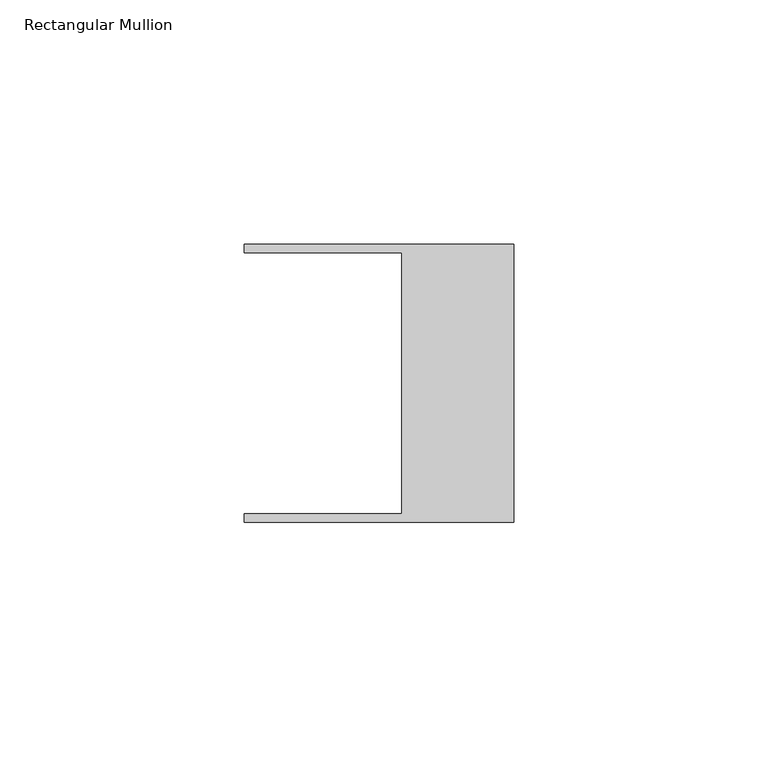
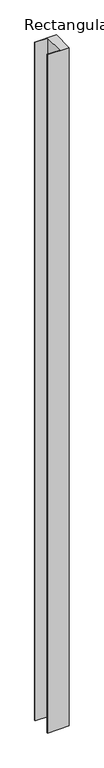
"""IFC4 building model written with IfcOpenShell, lengths in millimetres: member geometry, Rectangular Mullion."""

from ifc_helpers import new_model, si_unit, frame, origin, place, context, project, spatial, polyline, outline, extrude, source, transform, mapped, element, save


def rectangular_mullion_162bd696(model_context):
    return source(origin(), model_context, "Body", "SweptSolid", [
        extrude(outline(polyline([(-55.118, 26.67), (-55.118, 28.448), (0.0, 28.448), (0.0, -28.448), (-55.118, -28.448), (-55.118, -26.67), (-22.86, -26.67), (-22.86, 26.67), (-55.118, 26.67)])), frame((0.0, 0.0, -1828.8), z_axis=(0.0, 0.0, 1.0), x_axis=(1.0, 0.0, 0.0)), (0.0, 0.0, 1.0), 1828.8),
    ])


if __name__ == "__main__":
    model = new_model("IFC4")
    model_context = context("Model", 3, world=origin())
    ifc_project = project(units=[si_unit("LENGTHUNIT", "METRE", prefix="MILLI")], contexts=[model_context])
    site = spatial("IfcSite", under=ifc_project)
    building = spatial("IfcBuilding", under=site)
    placement = place(None, origin())
    rectangular_mullion_shape = rectangular_mullion_162bd696(model_context)
    element("IfcMember", 1, ObjectType="Rectangular Mullion", at=placement, inside=building, context=model_context, shape_type="MappedRepresentation", body=[
        mapped(rectangular_mullion_shape, transform((0.0, 0.0, 0.0), x_axis=(1.0, 0.0, 0.0), y_axis=(0.0, 1.0, 0.0), z_axis=(0.0, 0.0, 1.0))),
    ])
    save(model, "model.ifc")
